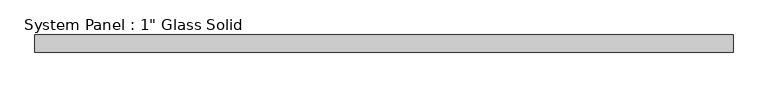
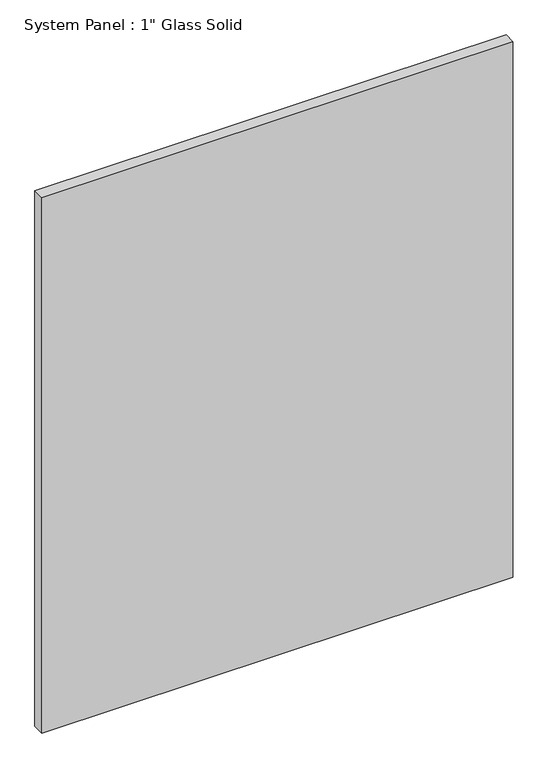
"""IFC4 building model written with IfcOpenShell, lengths in millimetres: plate geometry."""

from ifc_helpers import new_model, si_unit, origin, origin_with_axes, place, context, project, spatial, polyline, outline, extrude, source, transform, mapped, element, save


def plate_21344a0f(model_context):
    return source(origin(), model_context, "Body", "SweptSolid", [
        extrude(outline(polyline([(504.825, -12.7), (-504.825, -12.7), (-504.825, 12.7), (504.825, 12.7), (504.825, -12.7)])), origin_with_axes(), (0.0, 0.0, 1.0), 1212.85),
    ])


if __name__ == "__main__":
    model = new_model("IFC4")
    model_context = context("Model", 3, world=origin())
    ifc_project = project(units=[si_unit("LENGTHUNIT", "METRE", prefix="MILLI")], contexts=[model_context])
    site = spatial("IfcSite", under=ifc_project)
    building = spatial("IfcBuilding", under=site)
    placement = place(None, origin())
    plate_shape = plate_21344a0f(model_context)
    element("IfcPlate", 1, ObjectType="System Panel : 1\" Glass Solid", at=placement, inside=building, context=model_context, shape_type="MappedRepresentation", body=[
        mapped(plate_shape, transform((0.0, 0.0, 0.0), x_axis=(1.0, 0.0, 0.0), y_axis=(0.0, 1.0, 0.0), z_axis=(0.0, 0.0, 1.0))),
    ])
    save(model, "model.ifc")
